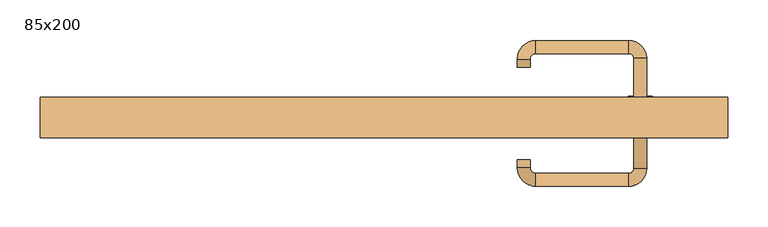
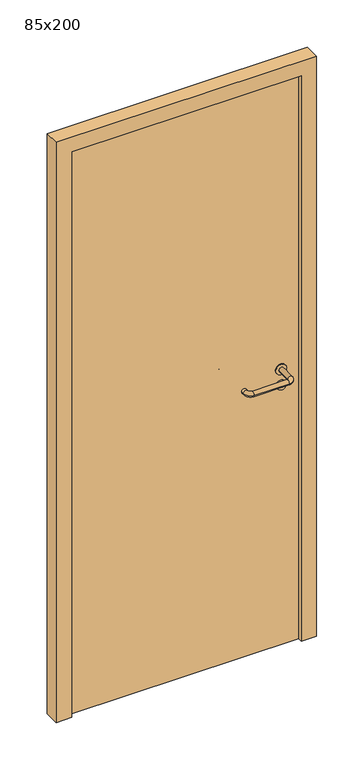
"""IFC4 building model written with IfcOpenShell, lengths in millimetres: door geometry, 85x200."""

from ifc_helpers import new_model, si_unit, point, frame, frame_2d, origin, origin_with_axes, place, context, project, spatial, polyline, circle_curve, ellipse_curve, trimmed, segment, composite_curve, outline, extrude, source, transform, mapped, element, save
from ifc_brep_helpers import plane_surface, cylinder_surface, revolved_surface, advanced_brep


def door_85x200_eef85e9b(model_context):
    return source(origin(), model_context, "Body", "SolidModel", [
        extrude(outline(composite_curve([segment(trimmed(circle_curve(frame_2d((897.3605726, 317.0)), 15.0), [point((897.3605726, 332.0))], [point((897.3605726, 302.0))], False, "CARTESIAN"), True, "CONTINUOUS"), segment(trimmed(circle_curve(frame_2d((897.3605726, 317.0)), 15.0), [point((897.3605726, 302.0))], [point((897.3605726, 332.0))], False, "CARTESIAN"), True, "CONTINUOUS")], self_intersect=False), holes=[composite_curve([segment(trimmed(circle_curve(frame_2d((892.5833211, 316.9398032)), 2.0), [point((892.5833211, 318.9398032))], [point((892.5833211, 314.9398032))], True, "CARTESIAN"), True, "CONTINUOUS"), segment(polyline([(892.5833211, 314.9398032), (902.5833211, 314.9398032)]), True, "CONTINUOUS"), segment(trimmed(circle_curve(frame_2d((902.5833211, 316.9398032)), 2.0), [point((902.5833211, 314.9398032))], [point((902.5833211, 318.9398032))], True, "CARTESIAN"), True, "CONTINUOUS"), segment(polyline([(902.5833211, 318.9398032), (892.5833211, 318.9398032)]), True, "CONTINUOUS")], self_intersect=False)]), frame((0.0, 33.65, 0.0), z_axis=(0.0, 1.0, 0.0), x_axis=(0.0, 0.0, 1.0)), (0.0, 0.0, 1.0), 6.35),
        extrude(outline(composite_curve([segment(trimmed(circle_curve(frame_2d((950.0, 317.0)), 17.526), [point((950.0, 334.526))], [point((950.0, 299.474))], False, "CARTESIAN"), True, "CONTINUOUS"), segment(trimmed(circle_curve(frame_2d((950.0, 317.0)), 17.526), [point((950.0, 299.474))], [point((950.0, 334.526))], False, "CARTESIAN"), True, "CONTINUOUS")], self_intersect=False)), frame((0.0, 36.825, 0.0), z_axis=(0.0, 1.0, 0.0), x_axis=(0.0, 0.0, 1.0)), (0.0, 0.0, 1.0), 3.175),
        advanced_brep(
        [(325.0, 40.0, 950.0), (309.0, 40.0, 950.0), (309.0, -13.0, 950.0), (325.0, -13.0, 950.0), (302.8578644, -19.1421356, 950.0), (302.8578644, -35.1421356, 950.0), (187.8578644, -19.1421356, 950.0), (187.8578644, -35.1421356, 950.0), (181.008622, -12.2928932, 950.0), (165.008622, -12.2928932, 950.0), (165.008622, -2.2928932, 950.0), (181.008622, -2.2928932, 950.0)],
        [
            (0, 1, circle_curve(frame((317.0, 40.0, 950.0), z_axis=(0.0, 1.0, 0.0), x_axis=(-1.0, 0.0, 0.0)), 8.0)),
            (1, 0, circle_curve(frame((317.0, 40.0, 950.0), z_axis=(0.0, 1.0, 0.0), x_axis=(-1.0, 0.0, 0.0)), 8.0)),
            (1, 2),
            (2, 3, circle_curve(frame((317.0, -13.0, 950.0), z_axis=(0.0, 1.0, 0.0), x_axis=(-1.0, 0.0, 0.0)), 8.0)),
            (3, 0),
            (3, 2, circle_curve(frame((317.0, -13.0, 950.0), z_axis=(0.0, 1.0, 0.0), x_axis=(-1.0, 0.0, 0.0)), 8.0)),
            (4, 5, circle_curve(frame((302.8578644, -27.1421356, 950.0), z_axis=(1.0, 0.0, 0.0), x_axis=(0.0, 1.0, 0.0)), 8.0)),
            (5, 3, circle_curve(frame((302.8578644, -13.0, 950.0), z_axis=(0.0, 0.0, 1.0), x_axis=(1.0, 0.0, 0.0)), 22.1421356)),
            (2, 4, circle_curve(frame((302.8578644, -13.0, 950.0), z_axis=(0.0, 0.0, -1.0), x_axis=(1.0, 0.0, 0.0)), 6.1421356)),
            (5, 4, circle_curve(frame((302.8578644, -27.1421356, 950.0), z_axis=(1.0, 0.0, 0.0), x_axis=(0.0, 1.0, 0.0)), 8.0)),
            (4, 6),
            (6, 7, circle_curve(frame((187.8578644, -27.1421356, 950.0), z_axis=(1.0, 0.0, 0.0), x_axis=(0.0, 1.0, 0.0)), 8.0)),
            (7, 5),
            (7, 6, circle_curve(frame((187.8578644, -27.1421356, 950.0), z_axis=(1.0, 0.0, 0.0), x_axis=(0.0, 1.0, 0.0)), 8.0)),
            (8, 9, circle_curve(frame((173.008622, -12.2928932, 950.0), z_axis=(0.0, -1.0, 0.0), x_axis=(1.0, 0.0, 0.0)), 8.0)),
            (9, 7, circle_curve(frame((187.8578644, -12.2928932, 950.0), z_axis=(0.0, 0.0, 1.0), x_axis=(0.0, -1.0, 0.0)), 22.8492424)),
            (6, 8, circle_curve(frame((187.8578644, -12.2928932, 950.0), z_axis=(0.0, 0.0, -1.0), x_axis=(0.0, -1.0, 0.0)), 6.8492424)),
            (9, 8, circle_curve(frame((173.008622, -12.2928932, 950.0), z_axis=(0.0, -1.0, 0.0), x_axis=(1.0, 0.0, 0.0)), 8.0)),
            (10, 11, circle_curve(frame((173.008622, -2.2928932, 950.0), z_axis=(0.0, 1.0, 0.0), x_axis=(1.0, 0.0, 0.0)), 8.0)),
            (11, 10, circle_curve(frame((173.008622, -2.2928932, 950.0), z_axis=(0.0, 1.0, 0.0), x_axis=(1.0, 0.0, 0.0)), 8.0)),
            (8, 11),
            (10, 9),
        ],
        [
            plane_surface(frame((317.0, 40.0, 170.0), z_axis=(0.0, 1.0, 0.0), x_axis=(0.0, 0.0, 1.0))),
            cylinder_surface(frame((317.0, 40.0, 950.0), z_axis=(0.0, 1.0, 0.0), x_axis=(-1.0, 0.0, 0.0)), 8.0),
            revolved_surface(trimmed(ellipse_curve(frame((317.0, -13.0, 950.0), z_axis=(0.0, -1.0, 0.0), x_axis=(-1.0, 0.0, 0.0)), 8.0, 8.0), [point((325.0, -13.0, 950.0))], [point((309.0, -13.0, 950.0))], True, "CARTESIAN"), (302.8578644, -13.0, 170.0), (0.0, 0.0, 1.0)),
            revolved_surface(trimmed(ellipse_curve(frame((317.0, -13.0, 950.0), z_axis=(0.0, -1.0, 0.0), x_axis=(-1.0, 0.0, 0.0)), 8.0, 8.0), [point((309.0, -13.0, 950.0))], [point((325.0, -13.0, 950.0))], True, "CARTESIAN"), (302.8578644, -13.0, 170.0), (0.0, 0.0, 1.0)),
            cylinder_surface(frame((302.8578644, -27.1421356, 950.0), z_axis=(1.0, 0.0, 0.0), x_axis=(0.0, 1.0, 0.0)), 8.0),
            revolved_surface(trimmed(ellipse_curve(frame((187.8578644, -27.1421356, 950.0), z_axis=(-1.0, 0.0, 0.0), x_axis=(0.0, 1.0, 0.0)), 8.0, 8.0), [point((187.8578644, -35.1421356, 950.0))], [point((187.8578644, -19.1421356, 950.0))], True, "CARTESIAN"), (187.8578644, -12.2928932, 170.0), (0.0, 0.0, 1.0)),
            revolved_surface(trimmed(ellipse_curve(frame((187.8578644, -27.1421356, 950.0), z_axis=(-1.0, 0.0, 0.0), x_axis=(0.0, 1.0, 0.0)), 8.0, 8.0), [point((187.8578644, -19.1421356, 950.0))], [point((187.8578644, -35.1421356, 950.0))], True, "CARTESIAN"), (187.8578644, -12.2928932, 170.0), (0.0, 0.0, 1.0)),
            plane_surface(frame((173.008622, -2.2928932, 170.0), z_axis=(0.0, 1.0, 0.0), x_axis=(0.0, 0.0, 1.0))),
            cylinder_surface(frame((173.008622, -12.2928932, 950.0), z_axis=(0.0, -1.0, 0.0), x_axis=(1.0, 0.0, 0.0)), 8.0),
        ],
        [
            (0, [[1, 2]]),
            (1, [[3, 4, 5, -2]]),
            (1, [[-5, 6, -3, -1]]),
            (2, [[7, 8, -4, 9]]),
            (3, [[10, -9, -6, -8]]),
            (4, [[11, 12, 13, -7]]),
            (4, [[-13, 14, -11, -10]]),
            (5, [[15, 16, -12, 17]]),
            (6, [[18, -17, -14, -16]]),
            (7, [[19, 20]]),
            (8, [[21, -19, 22, -15]]),
            (8, [[-22, -20, -21, -18]]),
        ],
    ),
        extrude(outline(composite_curve([segment(trimmed(circle_curve(frame_2d((0.0, -15.0)), 15.0), [point((0.0, -30.0))], [point((0.0, 0.0))], False, "CARTESIAN"), True, "CONTINUOUS"), segment(trimmed(circle_curve(frame_2d((0.0, -15.0)), 15.0), [point((0.0, 0.0))], [point((0.0, -30.0))], False, "CARTESIAN"), True, "CONTINUOUS")], self_intersect=False), holes=[composite_curve([segment(trimmed(circle_curve(frame_2d((4.7772515, -14.9398032)), 2.0), [point((4.7772515, -16.9398032))], [point((4.7772515, -12.9398032))], True, "CARTESIAN"), True, "CONTINUOUS"), segment(polyline([(4.7772515, -12.9398032), (-5.2227485, -12.9398032)]), True, "CONTINUOUS"), segment(trimmed(circle_curve(frame_2d((-5.2227485, -14.9398032)), 2.0), [point((-5.2227485, -12.9398032))], [point((-5.2227485, -16.9398032))], True, "CARTESIAN"), True, "CONTINUOUS"), segment(polyline([(-5.2227485, -16.9398032), (4.7772515, -16.9398032)]), True, "CONTINUOUS")], self_intersect=False)]), frame((302.0, 70.0, 897.3605726), z_axis=(1.8870575173328306e-12, 1.0, 0.0), x_axis=(0.0, 0.0, -1.0)), (0.0, 0.0, 1.0), 6.35),
        extrude(outline(composite_curve([segment(trimmed(circle_curve(frame_2d((0.0, -17.526)), 17.526), [point((0.0, -35.052))], [point((0.0, 0.0))], False, "CARTESIAN"), True, "CONTINUOUS"), segment(trimmed(circle_curve(frame_2d((0.0, -17.526)), 17.526), [point((0.0, 0.0))], [point((0.0, -35.052))], False, "CARTESIAN"), True, "CONTINUOUS")], self_intersect=False)), frame((299.474, 70.0, 950.0), z_axis=(1.8870575173328306e-12, 1.0, 0.0), x_axis=(0.0, 0.0, -1.0)), (0.0, 0.0, 1.0), 3.175),
        advanced_brep(
        [(325.0, 70.0, 950.0), (309.0, 70.0, 950.0), (325.0, 123.0, 950.0), (309.0, 123.0, 950.0), (302.8578644, 129.1421356, 950.0), (302.8578644, 145.1421356, 950.0), (187.8578644, 145.1421356, 950.0), (187.8578644, 129.1421356, 950.0), (181.008622, 122.2928932, 950.0), (165.008622, 122.2928932, 950.0), (165.008622, 112.2928932, 950.0), (181.008622, 112.2928932, 950.0)],
        [
            (0, 1, circle_curve(frame((317.0, 70.0, 950.0), z_axis=(-1.888672253512351e-12, -1.0, 0.0), x_axis=(-1.0, 1.888672253512351e-12, 0.0)), 8.0)),
            (1, 0, circle_curve(frame((317.0, 70.0, 950.0), z_axis=(-1.888672253512351e-12, -1.0, 0.0), x_axis=(-1.0, 1.888672253512351e-12, 0.0)), 8.0)),
            (0, 2),
            (2, 3, circle_curve(frame((317.0, 123.0, 950.0), z_axis=(-1.888672253512351e-12, -1.0, 0.0), x_axis=(-1.0, 1.888672253512351e-12, 0.0)), 8.0)),
            (3, 1),
            (3, 2, circle_curve(frame((317.0, 123.0, 950.0), z_axis=(-1.888672253512351e-12, -1.0, 0.0), x_axis=(-1.0, 1.888672253512351e-12, 0.0)), 8.0)),
            (4, 3, circle_curve(frame((302.8578644, 123.0, 950.0), z_axis=(0.0, 0.0, -1.0), x_axis=(1.0, -1.880717803715015e-12, 0.0)), 6.1421356)),
            (2, 5, circle_curve(frame((302.8578644, 123.0, 950.0), z_axis=(0.0, 0.0, 1.0), x_axis=(1.0, -1.880717803715015e-12, 0.0)), 22.1421356)),
            (5, 4, circle_curve(frame((302.8578644, 137.1421356, 950.0), z_axis=(1.0, -1.913702061528922e-12, 0.0), x_axis=(-1.913702061528922e-12, -1.0, 0.0)), 8.0)),
            (4, 5, circle_curve(frame((302.8578644, 137.1421356, 950.0), z_axis=(1.0, -1.913702061528922e-12, 0.0), x_axis=(-1.913702061528922e-12, -1.0, 0.0)), 8.0)),
            (5, 6),
            (6, 7, circle_curve(frame((187.8578644, 137.1421356, 950.0), z_axis=(1.0, -1.913719828541269e-12, 0.0), x_axis=(-1.913719828541269e-12, -1.0, 0.0)), 8.0)),
            (7, 4),
            (7, 6, circle_curve(frame((187.8578644, 137.1421356, 950.0), z_axis=(1.0, -1.913719828541269e-12, 0.0), x_axis=(-1.913719828541269e-12, -1.0, 0.0)), 8.0)),
            (8, 7, circle_curve(frame((187.8578644, 122.2928932, 950.0), z_axis=(0.0, 0.0, -1.0), x_axis=(1.9120873253494017e-12, 1.0, 0.0)), 6.8492424)),
            (6, 9, circle_curve(frame((187.8578644, 122.2928932, 950.0), z_axis=(0.0, 0.0, 1.0), x_axis=(1.9120873253494017e-12, 1.0, 0.0)), 22.8492424)),
            (9, 8, circle_curve(frame((173.008622, 122.2928932, 950.0), z_axis=(1.890670654956676e-12, 1.0, 0.0), x_axis=(1.0, -1.890670654956676e-12, 0.0)), 8.0)),
            (8, 9, circle_curve(frame((173.008622, 122.2928932, 950.0), z_axis=(1.890226565746826e-12, 1.0, 0.0), x_axis=(1.0, -1.890226565746826e-12, 0.0)), 8.0)),
            (10, 11, circle_curve(frame((173.008622, 112.2928932, 950.0), z_axis=(-1.8903642334018795e-12, -1.0, 0.0), x_axis=(1.0, -1.8903642334018795e-12, 0.0)), 8.0)),
            (11, 10, circle_curve(frame((173.008622, 112.2928932, 950.0), z_axis=(-1.8903642334018795e-12, -1.0, 0.0), x_axis=(1.0, -1.8903642334018795e-12, 0.0)), 8.0)),
            (9, 10),
            (11, 8),
        ],
        [
            plane_surface(frame((317.0, 70.0, 170.0), z_axis=(-1.8870575173328306e-12, -1.0, 0.0), x_axis=(0.0, 0.0, 1.0))),
            cylinder_surface(frame((317.0, 70.0, 950.0), z_axis=(-1.888672253512351e-12, -1.0, 0.0), x_axis=(-1.0, 1.888672253512351e-12, 0.0)), 8.0),
            revolved_surface(trimmed(ellipse_curve(frame((317.0, 123.0, 950.0), z_axis=(-1.8823325398945356e-12, -1.0, 0.0), x_axis=(-1.0, 1.8823325398945356e-12, 0.0)), 8.0, 8.0), [point((325.0, 123.0, 950.0))], [point((309.0, 123.0, 950.0))], True, "CARTESIAN"), (302.8578644, 123.0, 170.0), (0.0, 0.0, 1.0)),
            revolved_surface(trimmed(ellipse_curve(frame((317.0, 123.0, 950.0), z_axis=(-1.8823325398945356e-12, -1.0, 0.0), x_axis=(-1.0, 1.8823325398945356e-12, 0.0)), 8.0, 8.0), [point((309.0, 123.0, 950.0))], [point((325.0, 123.0, 950.0))], True, "CARTESIAN"), (302.8578644, 123.0, 170.0), (0.0, 0.0, 1.0)),
            cylinder_surface(frame((302.8578644, 137.1421356, 950.0), z_axis=(1.0, -1.913719828541269e-12, 0.0), x_axis=(-1.913719828541269e-12, -1.0, 0.0)), 8.0),
            revolved_surface(trimmed(ellipse_curve(frame((187.8578644, 137.1421356, 950.0), z_axis=(1.0, -1.913702061528922e-12, 0.0), x_axis=(-1.913702061528922e-12, -1.0, 0.0)), 8.0, 8.0), [point((187.8578644, 145.1421356, 950.0))], [point((187.8578644, 129.1421356, 950.0))], True, "CARTESIAN"), (187.8578644, 122.2928932, 170.0), (0.0, 0.0, 1.0)),
            revolved_surface(trimmed(ellipse_curve(frame((187.8578644, 137.1421356, 950.0), z_axis=(1.0, -1.913702061528922e-12, 0.0), x_axis=(-1.913702061528922e-12, -1.0, 0.0)), 8.0, 8.0), [point((187.8578644, 129.1421356, 950.0))], [point((187.8578644, 145.1421356, 950.0))], True, "CARTESIAN"), (187.8578644, 122.2928932, 170.0), (0.0, 0.0, 1.0)),
            plane_surface(frame((173.008622, 112.2928932, 170.0), z_axis=(-1.8887494972223595e-12, -1.0, 0.0), x_axis=(0.0, 0.0, 1.0))),
            cylinder_surface(frame((173.008622, 122.2928932, 950.0), z_axis=(1.8903642334018795e-12, 1.0, 0.0), x_axis=(1.0, -1.8903642334018795e-12, 0.0)), 8.0),
        ],
        [
            (0, [[1, 2]]),
            (1, [[-1, 3, 4, 5]]),
            (1, [[-2, -5, 6, -3]]),
            (2, [[7, -4, 8, 9]]),
            (3, [[-8, -6, -7, 10]]),
            (4, [[-9, 11, 12, 13]]),
            (4, [[-10, -13, 14, -11]]),
            (5, [[15, -12, 16, 17]]),
            (6, [[-16, -14, -15, 18]]),
            (7, [[19, 20]]),
            (8, [[-17, 21, -20, 22]]),
            (8, [[-18, -22, -19, -21]]),
        ],
    ),
        extrude(outline(polyline([(1950.0, 375.0), (0.0, 375.0), (0.0, 425.0), (2000.0, 425.0), (2000.0, -425.0), (0.0, -425.0), (0.0, -375.0), (1950.0, -375.0), (1950.0, 375.0)])), frame((0.0, 25.0, 0.0), z_axis=(0.0, 1.0, 0.0), x_axis=(0.0, 0.0, 1.0)), (0.0, 0.0, 1.0), 50.0),
        extrude(outline(polyline([(-375.0, 70.0), (375.0, 70.0), (375.0, 40.0), (-375.0, 40.0), (-375.0, 70.0)])), origin_with_axes(), (0.0, 0.0, 1.0), 1950.0),
    ])


if __name__ == "__main__":
    model = new_model("IFC4")
    model_context = context("Model", 3, world=origin())
    ifc_project = project(units=[si_unit("LENGTHUNIT", "METRE", prefix="MILLI")], contexts=[model_context])
    site = spatial("IfcSite", under=ifc_project)
    building = spatial("IfcBuilding", under=site)
    placement = place(None, origin())
    door_85x200_shape = door_85x200_eef85e9b(model_context)
    element("IfcDoor", 1, ObjectType="85x200", at=placement, inside=building, context=model_context, shape_type="MappedRepresentation", body=[
        mapped(door_85x200_shape, transform((0.0, 0.0, 0.0), x_axis=(1.0, 0.0, 0.0), y_axis=(0.0, 1.0, 0.0), z_axis=(0.0, 0.0, 1.0))),
    ])
    save(model, "model.ifc")
